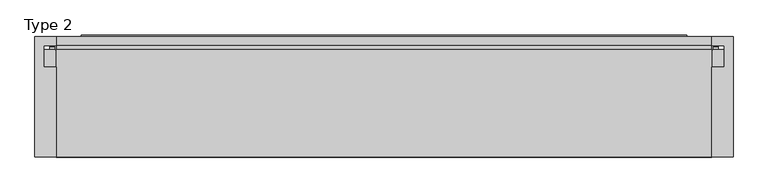
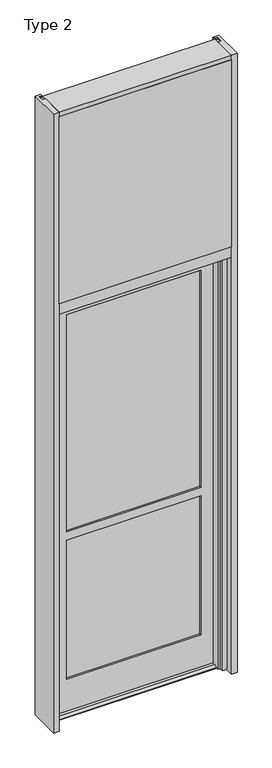
"""IFC4 building model written with IfcOpenShell, lengths in millimetres: plate geometry, Type 2."""

from ifc_helpers import new_model, si_unit, point, frame, frame_2d, origin, place, context, project, spatial, polyline, circle_curve, trimmed, segment, composite_curve, outline, extrude, faceted_brep, source, transform, mapped, element, save


def type_2_67914532(model_context):
    return source(origin(), model_context, "Body", "SolidModel", [
        extrude(outline(polyline([(-514.35, -130.5814), (-514.35, 47.2186), (-482.5989108, 47.2186), (-482.5989108, 34.036), (-501.65, 34.036), (-501.65, 2.286), (-482.6, 2.286), (-482.6, -130.5814), (-514.35, -130.5814)])), frame((0.0, 0.0, -57.15), z_axis=(0.0, 0.0, 1.0), x_axis=(1.0, 0.0, 0.0)), (0.0, 0.0, 1.0), 3657.6),
        extrude(outline(polyline([(514.35, -130.5814), (482.6, -130.5814), (482.6, 2.286), (501.65, 2.286), (501.65, 34.036), (482.5989108, 34.036), (482.5989108, 47.2186), (514.35, 47.2186), (514.35, -130.5814)])), frame((0.0, 0.0, -57.15), z_axis=(0.0, 0.0, 1.0), x_axis=(1.0, 0.0, 0.0)), (0.0, 0.0, 1.0), 3657.6),
        extrude(outline(composite_curve([segment(polyline([(-482.6765008, 34.0361122), (-483.0874462, 27.686), (-484.0539521, 27.686), (-484.0814595, 31.7563748)]), True, "CONTINUOUS"), segment(trimmed(circle_curve(frame_2d((-484.716445, 31.7520836)), 0.635), [point((-484.0814595, 31.7563748))], [point((-484.6813642, 32.3861138))], True, "CARTESIAN"), True, "CONTINUOUS"), segment(polyline([(-484.6813642, 32.3861138), (-491.4367251, 32.7598869)]), True, "CONTINUOUS"), segment(trimmed(circle_curve(frame_2d((-491.2541718, 33.7593519)), 1.016), [point((-491.4367251, 32.7598869))], [point((-492.2317504, 34.0361122))], False, "CARTESIAN"), True, "CONTINUOUS"), segment(polyline([(-492.2317504, 34.0361122), (-482.6765008, 34.0361122)]), True, "CONTINUOUS")], self_intersect=False)), frame((0.0, 0.0, 2459.3728643), z_axis=(0.0, 0.0, 1.0), x_axis=(1.0, 0.0, 0.0)), (0.0, 0.0, 1.0), 1134.7271357),
        extrude(outline(composite_curve([segment(polyline([(483.0874462, 27.686), (482.6765008, 34.0361122), (492.2317504, 34.0361122)]), True, "CONTINUOUS"), segment(trimmed(circle_curve(frame_2d((491.2541718, 33.7593519)), 1.016), [point((492.2317504, 34.0361122))], [point((491.4367251, 32.7598869))], False, "CARTESIAN"), True, "CONTINUOUS"), segment(polyline([(491.4367251, 32.7598869), (484.6813642, 32.3861138)]), True, "CONTINUOUS"), segment(trimmed(circle_curve(frame_2d((484.716445, 31.7520836)), 0.635), [point((484.6813642, 32.3861138))], [point((484.0814595, 31.7563748))], True, "CARTESIAN"), True, "CONTINUOUS"), segment(polyline([(484.0814595, 31.7563748), (484.0539521, 27.686), (483.0874462, 27.686)]), True, "CONTINUOUS")], self_intersect=False)), frame((0.0, 0.0, 2459.3728643), z_axis=(0.0, 0.0, 1.0), x_axis=(1.0, 0.0, 0.0)), (0.0, 0.0, 1.0), 1134.7271357),
        extrude(outline(polyline([(34.0361122, 2459.3728643), (27.686, 2459.3728643), (27.686, 2471.8771952), (34.0361122, 2470.1238955), (34.0361122, 2459.3728643)])), frame((-492.2317504, 0.0, 0.0), z_axis=(1.0, 0.0, 0.0), x_axis=(0.0, 1.0, 0.0)), (0.0, 0.0, 1.0), 984.4635007),
        extrude(outline(polyline([(482.6, -48.514), (482.6, -131.0159103), (-482.6, -131.0159103), (-482.6, -48.514), (482.6, -48.514)])), frame((0.0, 0.0, 2470.15), z_axis=(0.0, 0.0, 1.0), x_axis=(1.0, 0.0, 0.0)), (0.0, 0.0, 1.0), 1104.9),
        extrude(outline(polyline([(501.65, 27.686), (501.65, 2.286), (-501.65, 2.286), (-501.65, 27.686), (501.65, 27.686)])), frame((0.0, 0.0, 2451.1), z_axis=(0.0, 0.0, 1.0), x_axis=(1.0, 0.0, 0.0)), (0.0, 0.0, 1.0), 1143.0),
        faceted_brep([(457.2, 27.6820313, -57.15), (482.6, 27.6820313, -57.15), (482.6, -86.6179687, -57.15), (457.2, -86.6179687, -57.15), (457.2, -63.6309687, -57.15), (444.5, -63.6309687, -57.15), (444.5, -22.3559687, -57.15), (457.2, -22.3559687, -57.15), (457.2, 27.6820312, 2381.25), (-457.2, 27.6820312, 2381.25), (-457.2, 27.6820313, -57.15), (-482.6, 27.6820313, -57.15), (-482.6, 27.6820312, 2406.65), (482.6, 27.6820312, 2406.65), (482.6, -86.6179688, 2406.65), (-482.6, -86.6179688, 2406.65), (-482.6, -86.6179687, -57.15), (-457.2, -86.6179687, -57.15), (-457.2, -86.6179688, 2381.25), (457.2, -86.6179688, 2381.25), (457.2, -63.6309688, 2381.25), (-457.2, -63.6309688, 2381.25), (-457.2, -63.6309687, -57.15), (-444.5, -63.6309687, -57.15), (-444.5, -63.6309688, 2368.55), (444.5, -63.6309688, 2368.55), (444.5, -22.3559688, 2368.55), (-444.5, -22.3559688, 2368.55), (-444.5, -22.3559687, -57.15), (-457.2, -22.3559687, -57.15), (-457.2, -22.3559688, 2381.25), (457.2, -22.3559688, 2381.25)], [[[0, 1, 2, 3, 4, 5, 6, 7]], [[1, 0, 8, 9, 10, 11, 12, 13]], [[2, 1, 13, 14]], [[3, 2, 14, 15, 16, 17, 18, 19]], [[4, 3, 19, 20]], [[5, 4, 20, 21, 22, 23, 24, 25]], [[6, 5, 25, 26]], [[7, 6, 26, 27, 28, 29, 30, 31]], [[0, 7, 31, 8]], [[14, 13, 12, 15]], [[20, 19, 18, 21]], [[26, 25, 24, 27]], [[8, 31, 30, 9]], [[10, 29, 28, 23, 22, 17, 16, 11]], [[15, 12, 11, 16]], [[21, 18, 17, 22]], [[27, 24, 23, 28]], [[9, 30, 29, 10]]]),
        faceted_brep([(446.1446958, -18.3554687, -44.45), (446.1446958, -35.0052141, -44.45), (446.1446958, -51.6930595, -52.2316701), (446.1446958, -51.6930595, -57.15), (446.1446958, -18.3554687, -57.15), (446.1446958, 49.9070313, -57.15), (446.1446958, 49.9070313, -52.2316701), (446.1446958, 33.2191859, -44.45), (446.1446958, 26.0945313, -44.45), (446.1446958, 26.0945313, -57.15), (-446.1446958, 26.0945313, -44.45), (-446.1446958, 33.2191859, -44.45), (-446.1446958, 49.9070313, -52.2316701), (-446.1446958, 49.9070313, -57.15), (-446.1446958, 26.0945313, -57.15), (-446.1446958, -51.6930595, -57.15), (-446.1446958, -51.6930595, -52.2316701), (-446.1446958, -35.0052141, -44.45), (-446.1446958, -18.3554687, -44.45), (-446.1446958, -18.3554688, -57.15), (448.9132958, 26.0945312, 2377.28125), (448.9132958, 26.0945313, -57.15), (-448.9132958, 26.0945313, -57.15), (-448.9132958, 26.0945312, 2377.28125), (-375.8882958, 26.0945312, 2297.90625), (-375.8882958, 26.0945313, 1016.0), (375.8882958, 26.0945313, 1016.0), (375.8882958, 26.0945312, 2297.90625), (-375.8882958, 26.0945313, 144.4625), (375.8882958, 26.0945313, 144.4625), (375.8882958, 26.0945313, 965.2), (-375.8882958, 26.0945313, 965.2), (375.8882958, 16.5695313, 144.4625), (-375.8882958, 16.5695313, 144.4625), (-383.0320458, 16.5695313, 137.31875), (383.0320458, 16.5695313, 137.31875), (383.0320458, 16.5695313, 972.34375), (-383.0320458, 16.5695313, 972.34375), (-375.8882958, 16.5695313, 965.2), (375.8882958, 16.5695313, 965.2), (383.0320458, 16.5695313, 2305.05), (-383.0320458, 16.5695313, 2305.05), (-383.0320458, 16.5695313, 1008.85625), (383.0320458, 16.5695313, 1008.85625), (-375.8882958, 16.5695313, 2297.90625), (375.8882958, 16.5695313, 2297.90625), (375.8882958, 16.5695313, 1016.0), (-375.8882958, 16.5695313, 1016.0), (383.0320458, -8.8304687, 137.31875), (-383.0320458, -8.8304687, 137.31875), (-383.0320458, -8.8304687, 972.34375), (383.0320458, -8.8304687, 972.34375), (-375.8882958, -8.8304687, 144.4625), (375.8882958, -8.8304687, 144.4625), (375.8882958, -8.8304687, 965.2), (-375.8882958, -8.8304687, 965.2), (-383.0320458, -8.8304688, 2305.05), (383.0320458, -8.8304688, 2305.05), (383.0320458, -8.8304688, 1008.85625), (-383.0320458, -8.8304688, 1008.85625), (375.8882958, -8.8304688, 2297.90625), (-375.8882958, -8.8304688, 2297.90625), (-375.8882958, -8.8304688, 1016.0), (375.8882958, -8.8304688, 1016.0), (375.8882958, -18.3554687, 144.4625), (-375.8882958, -18.3554687, 144.4625), (446.1446958, -18.3554688, 2377.28125), (-446.1446958, -18.3554688, 2377.28125), (-375.8882958, -18.3554688, 2297.90625), (375.8882958, -18.3554688, 2297.90625), (375.8882958, -18.3554687, 1016.0), (-375.8882958, -18.3554687, 1016.0), (-375.8882958, -18.3554687, 965.2), (375.8882958, -18.3554687, 965.2)], [[[0, 1, 2, 3, 4]], [[5, 6, 7, 8, 9]], [[10, 11, 12, 13, 14]], [[15, 16, 17, 18, 19]], [[20, 21, 9, 8, 10, 14, 22, 23], [24, 25, 26, 27], [28, 29, 30, 31]], [[32, 29, 28, 33]], [[34, 35, 36, 37], [32, 33, 38, 39]], [[40, 41, 42, 43], [44, 45, 46, 47]], [[48, 35, 34, 49]], [[48, 49, 50, 51], [52, 53, 54, 55]], [[56, 57, 58, 59], [60, 61, 62, 63]], [[64, 53, 52, 65]], [[18, 0, 66, 67], [68, 69, 70, 71], [65, 72, 73, 64]], [[1, 0, 18, 17]], [[2, 1, 17, 16]], [[3, 2, 16, 15]], [[3, 15, 19, 22, 14, 13, 5, 9, 21, 4]], [[6, 5, 13, 12]], [[7, 6, 12, 11]], [[8, 7, 11, 10]], [[66, 20, 23, 67]], [[27, 45, 44, 24]], [[40, 57, 56, 41]], [[60, 69, 68, 61]], [[29, 32, 39, 30]], [[45, 27, 26, 46]], [[36, 35, 48, 51]], [[58, 57, 40, 43]], [[53, 64, 73, 54]], [[69, 60, 63, 70]], [[65, 52, 55, 72]], [[61, 68, 71, 62]], [[42, 41, 56, 59]], [[50, 49, 34, 37]], [[33, 28, 31, 38]], [[24, 44, 47, 25]], [[63, 62, 71, 70]], [[55, 54, 73, 72]], [[51, 50, 37, 36]], [[31, 30, 39, 38]], [[26, 25, 47, 46]], [[59, 58, 43, 42]], [[20, 66, 0, 4, 21]], [[18, 67, 23, 22, 19]]]),
        extrude(outline(polyline([(383.0320458, -2.5312687), (383.0320458, -8.8304687), (-383.0320458, -8.8304687), (-383.0320458, -2.5312687), (383.0320458, -2.5312687)])), frame((0.0, 0.0, 1008.85625), z_axis=(0.0, 0.0, 1.0), x_axis=(1.0, 0.0, 0.0)), (0.0, 0.0, 1.0), 1296.19375),
        extrude(outline(polyline([(383.0320458, 16.5695313), (383.0320458, 10.2703313), (-383.0320458, 10.2703313), (-383.0320458, 16.5695313), (383.0320458, 16.5695313)])), frame((0.0, 0.0, 1008.85625), z_axis=(0.0, 0.0, 1.0), x_axis=(1.0, 0.0, 0.0)), (0.0, 0.0, 1.0), 1296.19375),
        extrude(outline(polyline([(383.0320458, 16.5695312), (383.0320458, 10.2703312), (-383.0320458, 10.2703312), (-383.0320458, 16.5695312), (383.0320458, 16.5695312)])), frame((0.0, 0.0, 137.31875), z_axis=(0.0, 0.0, 1.0), x_axis=(1.0, 0.0, 0.0)), (0.0, 0.0, 1.0), 835.025),
        extrude(outline(polyline([(383.0320458, -2.5312688), (383.0320458, -8.8304688), (-383.0320458, -8.8304688), (-383.0320458, -2.5312688), (383.0320458, -2.5312688)])), frame((0.0, 0.0, 137.31875), z_axis=(0.0, 0.0, 1.0), x_axis=(1.0, 0.0, 0.0)), (0.0, 0.0, 1.0), 835.025),
        extrude(outline(polyline([(-130.0734, 3600.45), (27.686, 3600.45), (27.686, 3594.1), (0.0, 3594.1), (0.0, 3575.051832), (-130.0734, 3575.051832), (-130.0734, 3600.45)])), frame((-482.6, 0.0, 0.0), z_axis=(1.0, 0.0, 0.0), x_axis=(0.0, 1.0, 0.0)), (0.0, 0.0, 1.0), 965.2),
        extrude(outline(polyline([(0.0, 2470.15), (0.0, 2451.1), (34.13125, 2451.1), (34.13125, 2470.1462001), (47.2186445, 2470.1462001), (47.2186445, 2406.6462001), (34.13125, 2406.6462001), (34.13125, 2425.7), (0.0, 2425.7), (0.0, 2406.65), (-130.175, 2406.65), (-130.175, 2470.15), (0.0, 2470.15)])), frame((-482.6, 0.0, 0.0), z_axis=(1.0, 0.0, 0.0), x_axis=(0.0, 1.0, 0.0)), (0.0, 0.0, 1.0), 965.2),
    ])


if __name__ == "__main__":
    model = new_model("IFC4")
    model_context = context("Model", 3, world=origin())
    ifc_project = project(units=[si_unit("LENGTHUNIT", "METRE", prefix="MILLI")], contexts=[model_context])
    site = spatial("IfcSite", under=ifc_project)
    building = spatial("IfcBuilding", under=site)
    placement = place(None, origin())
    type_2_shape = type_2_67914532(model_context)
    element("IfcPlate", 1, ObjectType="Type 2", at=placement, inside=building, context=model_context, shape_type="MappedRepresentation", body=[
        mapped(type_2_shape, transform((0.0, 0.0, 0.0), x_axis=(1.0, 0.0, 0.0), y_axis=(0.0, 1.0, 0.0), z_axis=(0.0, 0.0, 1.0))),
    ])
    save(model, "model.ifc")
